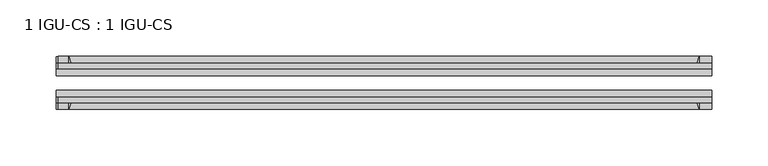
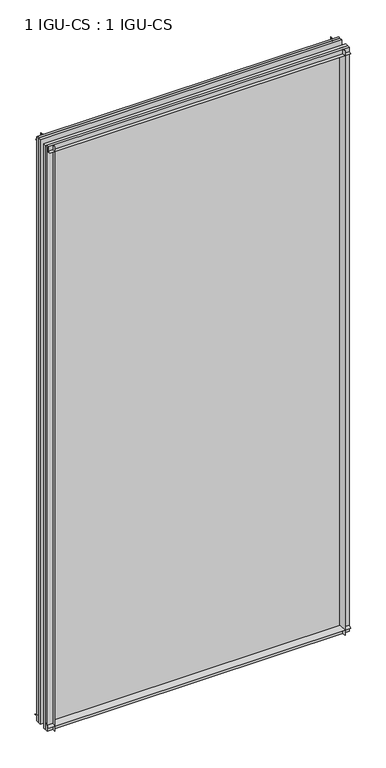
"""IFC4 building model written with IfcOpenShell, lengths in millimetres: plate geometry, 1 IGU-CS : 1 IGU-CS."""

from ifc_helpers import new_model, si_unit, point, frame, frame_2d, origin, place, context, project, spatial, polyline, circle_curve, trimmed, segment, composite_curve, outline, extrude, source, transform, mapped, element, save


def plate_1_igu_cs_1_igu_cs_79b8d76c(model_context):
    return source(origin(), model_context, "Body", "SweptSolid", [
        extrude(outline(composite_curve([segment(polyline([(-44.45, 1165.2958595), (-44.45, 1178.71875), (-39.6748, 1178.71875), (-39.6748, 1169.19375), (-33.7058, 1169.19375)]), True, "CONTINUOUS"), segment(trimmed(circle_curve(frame_2d((-28.0741797, 1136.9139961)), 32.7673262), [point((-33.7058, 1169.19375))], [point((-44.45, 1165.2958595))], True, "CARTESIAN"), True, "CONTINUOUS")], self_intersect=False)), frame((-288.7271746, 0.0, 0.0), z_axis=(1.0, 0.0, 0.0), x_axis=(0.0, 1.0, 0.0)), (0.0, 0.0, 1.0), 579.2396746),
        extrude(outline(composite_curve([segment(trimmed(circle_curve(frame_2d((-86.2258203, 1136.9139961)), 32.7673262), [point((-69.85, 1165.2958595))], [point((-80.5942, 1169.19375))], True, "CARTESIAN"), True, "CONTINUOUS"), segment(polyline([(-80.5942, 1169.19375), (-74.6252, 1169.19375), (-74.6252, 1178.71875), (-69.85, 1178.71875), (-69.85, 1165.2958595)]), True, "CONTINUOUS")], self_intersect=False)), frame((-288.7271746, 0.0, 0.0), z_axis=(1.0, 0.0, 0.0), x_axis=(0.0, 1.0, 0.0)), (0.0, 0.0, 1.0), 579.2396746),
        extrude(outline(composite_curve([segment(trimmed(circle_curve(frame_2d((-28.0741797, 32.2797688)), 32.7673262), [point((-44.45, 3.8979053))], [point((-33.7058, 1.48e-05))], True, "CARTESIAN"), True, "CONTINUOUS"), segment(polyline([(-33.7058, 1.48e-05), (-39.6748, 1.48e-05), (-39.6748, -10.31875), (-44.45, -10.31875), (-44.45, 3.8979053)]), True, "CONTINUOUS")], self_intersect=False)), frame((-290.5125, 0.0, 0.0), z_axis=(1.0, 0.0, 0.0), x_axis=(0.0, 1.0, 0.0)), (0.0, 0.0, 1.0), 581.025),
        extrude(outline(composite_curve([segment(trimmed(circle_curve(frame_2d((-86.2258203, 32.2797602)), 32.7673262), [point((-80.5942354, 0.0))], [point((-69.85, 3.8978967))], True, "CARTESIAN"), True, "CONTINUOUS"), segment(polyline([(-69.85, 3.8978967), (-69.85, -10.31875), (-74.6252, -10.31875), (-74.6252, 0.0), (-80.5942354, 0.0)]), True, "CONTINUOUS")], self_intersect=False)), frame((-290.5125, 0.0, 0.0), z_axis=(1.0, 0.0, 0.0), x_axis=(0.0, 1.0, 0.0)), (0.0, 0.0, 1.0), 581.025),
        extrude(outline(composite_curve([segment(polyline([(290.5125, -39.6748), (290.5125, -44.45), (275.5021095, -44.45)]), True, "CONTINUOUS"), segment(trimmed(circle_curve(frame_2d((247.120246, -28.0741797)), 32.7673262), [point((275.5021095, -44.45))], [point((279.4, -33.7058))], True, "CARTESIAN"), True, "CONTINUOUS"), segment(polyline([(279.4, -33.7058), (279.4, -39.6748), (290.5125, -39.6748)]), True, "CONTINUOUS")], self_intersect=False)), frame((0.0, 0.0, -10.31875), z_axis=(0.0, 0.0, 1.0), x_axis=(1.0, 0.0, 0.0)), (0.0, 0.0, 1.0), 1189.0375),
        extrude(outline(composite_curve([segment(polyline([(290.5125, -69.85), (290.5125, -74.6252), (279.4, -74.6252), (279.4, -80.5942)]), True, "CONTINUOUS"), segment(trimmed(circle_curve(frame_2d((247.120246, -86.2258203)), 32.7673262), [point((279.4, -80.5942))], [point((275.5021095, -69.85))], True, "CARTESIAN"), True, "CONTINUOUS"), segment(polyline([(275.5021095, -69.85), (290.5125, -69.85)]), True, "CONTINUOUS")], self_intersect=False)), frame((0.0, 0.0, -10.31875), z_axis=(0.0, 0.0, 1.0), x_axis=(1.0, 0.0, 0.0)), (0.0, 0.0, 1.0), 1189.0375),
        extrude(outline(composite_curve([segment(polyline([(-290.5125, -39.6748), (-279.4, -39.6748), (-279.4, -33.7058)]), True, "CONTINUOUS"), segment(trimmed(circle_curve(frame_2d((-247.120246, -28.0741797)), 32.7673262), [point((-279.4, -33.7058))], [point((-275.5021095, -44.45))], True, "CARTESIAN"), True, "CONTINUOUS"), segment(polyline([(-275.5021095, -44.45), (-290.5125, -44.45), (-290.5125, -39.6748)]), True, "CONTINUOUS")], self_intersect=False)), frame((0.0, 0.0, -10.31875), z_axis=(0.0, 0.0, 1.0), x_axis=(1.0, 0.0, 0.0)), (0.0, 0.0, 1.0), 1189.0375),
        extrude(outline(composite_curve([segment(polyline([(-290.5125, -74.6252), (-290.5125, -69.85), (-275.5021095, -69.85)]), True, "CONTINUOUS"), segment(trimmed(circle_curve(frame_2d((-247.120246, -86.2258203)), 32.7673262), [point((-275.5021095, -69.85))], [point((-279.4, -80.5942))], True, "CARTESIAN"), True, "CONTINUOUS"), segment(polyline([(-279.4, -80.5942), (-279.4, -74.6252), (-290.5125, -74.6252)]), True, "CONTINUOUS")], self_intersect=False)), frame((0.0, 0.0, -10.31875), z_axis=(0.0, 0.0, 1.0), x_axis=(1.0, 0.0, 0.0)), (0.0, 0.0, 1.0), 1189.0375),
        extrude(outline(polyline([(-290.5125, -69.85), (-290.5125, -63.5508), (290.5125, -63.5508), (290.5125, -69.85), (-290.5125, -69.85)])), frame((0.0, 0.0, -10.31875), z_axis=(0.0, 0.0, 1.0), x_axis=(1.0, 0.0, 0.0)), (0.0, 0.0, 1.0), 1189.0375),
        extrude(outline(polyline([(290.5125, -50.7492), (-290.5125, -50.7492), (-290.5125, -44.45), (290.5125, -44.45), (290.5125, -50.7492)])), frame((0.0, 0.0, -10.31875), z_axis=(0.0, 0.0, 1.0), x_axis=(1.0, 0.0, 0.0)), (0.0, 0.0, 1.0), 1189.0375),
    ])


if __name__ == "__main__":
    model = new_model("IFC4")
    model_context = context("Model", 3, world=origin())
    ifc_project = project(units=[si_unit("LENGTHUNIT", "METRE", prefix="MILLI")], contexts=[model_context])
    site = spatial("IfcSite", under=ifc_project)
    building = spatial("IfcBuilding", under=site)
    placement = place(None, origin())
    plate_1_igu_cs_1_igu_cs_shape = plate_1_igu_cs_1_igu_cs_79b8d76c(model_context)
    element("IfcPlate", 1, ObjectType="1 IGU-CS : 1 IGU-CS", at=placement, inside=building, context=model_context, shape_type="MappedRepresentation", body=[
        mapped(plate_1_igu_cs_1_igu_cs_shape, transform((0.0, 0.0, 0.0), x_axis=(1.0, 0.0, 0.0), y_axis=(0.0, 1.0, 0.0), z_axis=(0.0, 0.0, 1.0))),
    ])
    save(model, "model.ifc")
